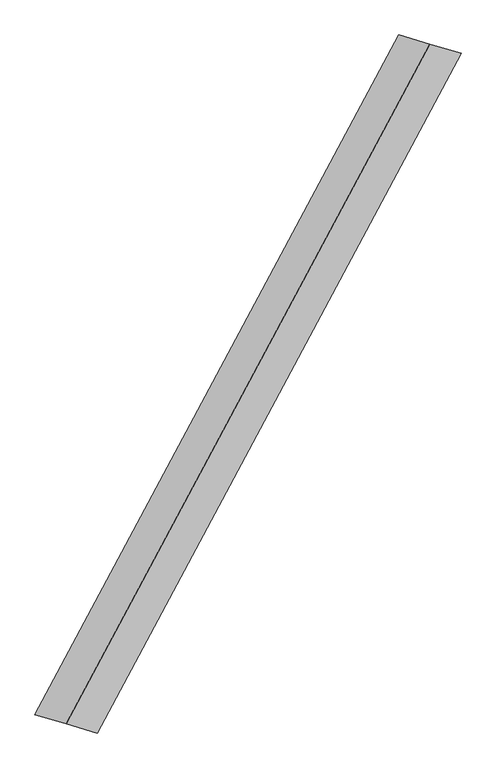
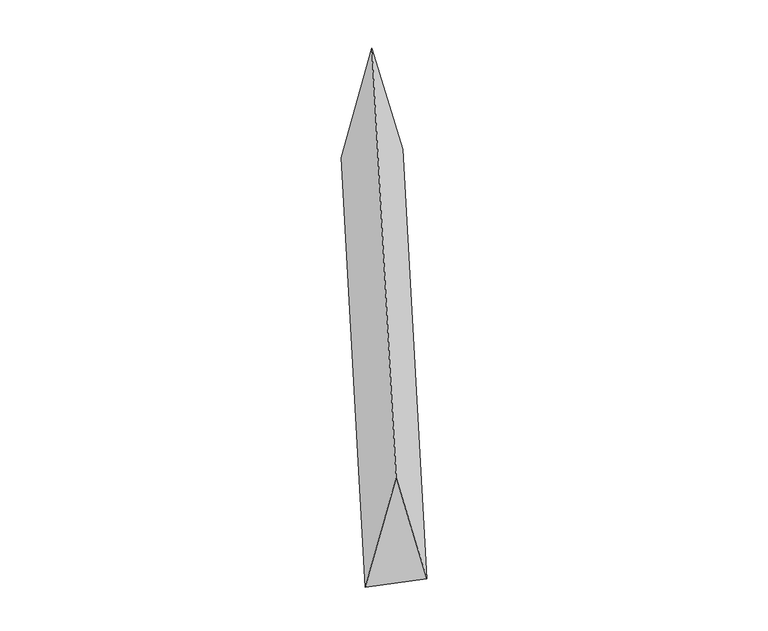
"""IFC4 building model written with IfcOpenShell, lengths in millimetres: proxy geometry."""

from ifc_helpers import new_model, si_unit, origin, place, context, project, spatial, faceted_brep, source, transform, mapped, element, save


def generic_models_57a123f2(model_context):
    return source(origin(), model_context, "Body", "Brep", [
        faceted_brep([(-963.4555311, -1800.8852964, 700.0), (-797.7984712, -1849.7979659, 0.0), (1129.1125911, 1751.9726269, 0.0), (963.4555311, 1800.8852964, 700.0), (-1129.1125911, -1751.9726269, 0.0), (797.7984712, 1849.7979659, 0.0)], [[[0, 1, 2, 3]], [[1, 4, 5, 2]], [[4, 0, 3, 5]], [[3, 2, 5]], [[0, 4, 1]]]),
    ])


if __name__ == "__main__":
    model = new_model("IFC4")
    model_context = context("Model", 3, world=origin())
    ifc_project = project(units=[si_unit("LENGTHUNIT", "METRE", prefix="MILLI")], contexts=[model_context])
    site = spatial("IfcSite", under=ifc_project)
    building = spatial("IfcBuilding", under=site)
    placement = place(None, origin())
    generic_models_shape = generic_models_57a123f2(model_context)
    element("IfcBuildingElementProxy", 1, Name="Generic Models", at=placement, inside=building, context=model_context, shape_type="MappedRepresentation", body=[
        mapped(generic_models_shape, transform((0.0, 0.0, 0.0), x_axis=(1.0, 0.0, 0.0), y_axis=(0.0, 1.0, 0.0), z_axis=(0.0, 0.0, 1.0))),
    ])
    save(model, "model.ifc")
